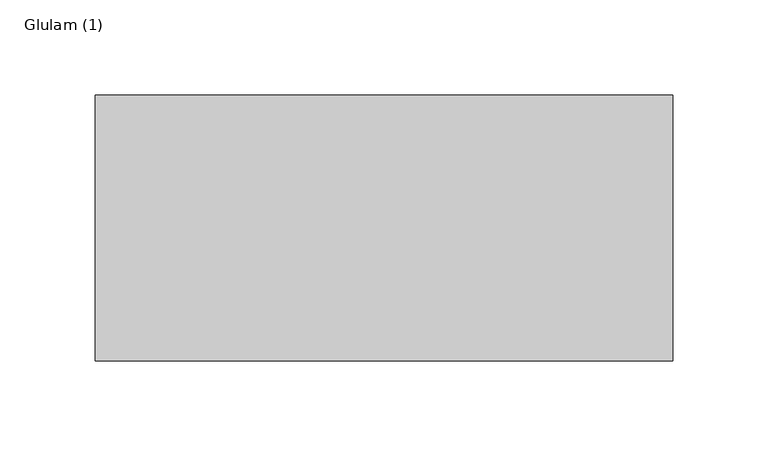
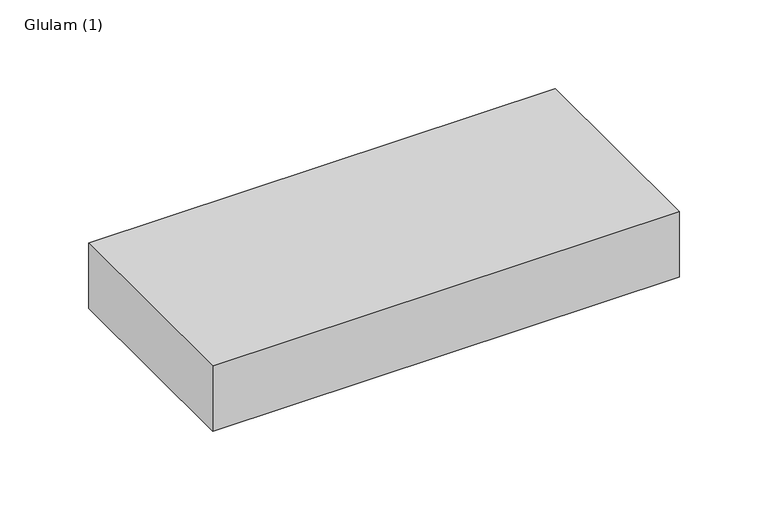
"""IFC4 building model written with IfcOpenShell, lengths in millimetres: beam geometry, Glulam (1)."""

from ifc_helpers import new_model, si_unit, frame, origin, place, context, project, spatial, polyline, outline, extrude, source, transform, mapped, element, save


def glulam_1_502a9dfb(model_context):
    return source(origin(), model_context, "Body", "SweptSolid", [
        extrude(outline(polyline([(152.0, 70.0), (152.0, -70.0), (-152.0, -70.0), (-152.0, 70.0), (152.0, 70.0)])), frame((0.0, 0.0, -22.5), z_axis=(0.0, 0.0, 1.0), x_axis=(1.0, 0.0, 0.0)), (0.0, 0.0, 1.0), 45.0),
    ])


if __name__ == "__main__":
    model = new_model("IFC4")
    model_context = context("Model", 3, world=origin())
    ifc_project = project(units=[si_unit("LENGTHUNIT", "METRE", prefix="MILLI")], contexts=[model_context])
    site = spatial("IfcSite", under=ifc_project)
    building = spatial("IfcBuilding", under=site)
    placement = place(None, origin())
    glulam_1_shape = glulam_1_502a9dfb(model_context)
    element("IfcBeam", 1, ObjectType="Glulam (1)", at=placement, inside=building, context=model_context, shape_type="MappedRepresentation", body=[
        mapped(glulam_1_shape, transform((0.0, 0.0, 0.0), x_axis=(1.0, 0.0, 0.0), y_axis=(0.0, 1.0, 0.0), z_axis=(0.0, 0.0, 1.0))),
    ])
    save(model, "model.ifc")
